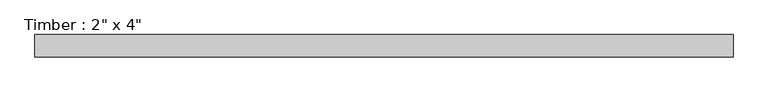
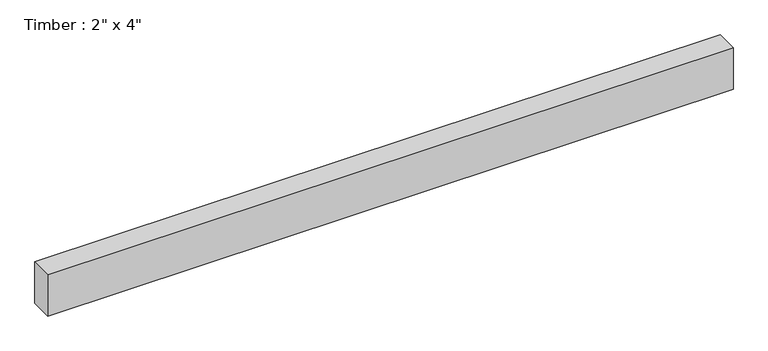
"""IFC4 building model written with IfcOpenShell, lengths in millimetres: beam geometry."""

from ifc_helpers import new_model, si_unit, frame, origin, place, context, project, spatial, polyline, outline, extrude, source, transform, mapped, element, save


def beam_7d6978ad(model_context):
    return source(origin(), model_context, "Body", "SweptSolid", [
        extrude(outline(polyline([(792.6707615, 25.4), (792.6707615, -25.4), (-792.6707615, -25.4), (-792.6707615, 25.4), (792.6707615, 25.4)])), frame((0.0, 0.0, -50.8), z_axis=(0.0, 0.0, 1.0), x_axis=(1.0, 0.0, 0.0)), (0.0, 0.0, 1.0), 101.6),
    ])


if __name__ == "__main__":
    model = new_model("IFC4")
    model_context = context("Model", 3, world=origin())
    ifc_project = project(units=[si_unit("LENGTHUNIT", "METRE", prefix="MILLI")], contexts=[model_context])
    site = spatial("IfcSite", under=ifc_project)
    building = spatial("IfcBuilding", under=site)
    placement = place(None, origin())
    beam_shape = beam_7d6978ad(model_context)
    element("IfcBeam", 1, ObjectType="Timber : 2\" x 4\"", at=placement, inside=building, context=model_context, shape_type="MappedRepresentation", body=[
        mapped(beam_shape, transform((0.0, 0.0, 0.0), x_axis=(1.0, 0.0, 0.0), y_axis=(0.0, 1.0, 0.0), z_axis=(0.0, 0.0, 1.0))),
    ])
    save(model, "model.ifc")
